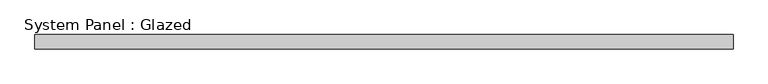
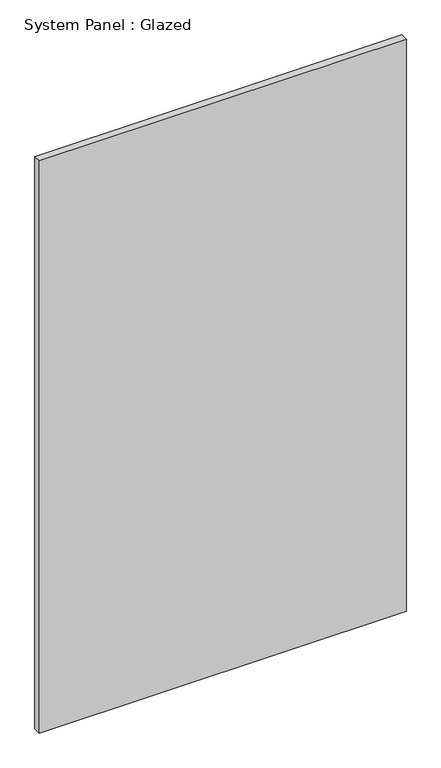
"""IFC4 building model written with IfcOpenShell, lengths in millimetres: plate geometry, System Panel : Glazed."""

from ifc_helpers import new_model, si_unit, origin, origin_with_axes, place, context, project, spatial, polyline, outline, extrude, source, transform, mapped, element, save


def system_panel_glazed_884678db(model_context):
    return source(origin(), model_context, "Body", "SweptSolid", [
        extrude(outline(polyline([(607.0143611, 24.5), (-607.0143611, 24.5), (-607.0143611, 49.5), (607.0143611, 49.5), (607.0143611, 24.5)])), origin_with_axes(), (0.0, 0.0, 1.0), 2000.0),
    ])


if __name__ == "__main__":
    model = new_model("IFC4")
    model_context = context("Model", 3, world=origin())
    ifc_project = project(units=[si_unit("LENGTHUNIT", "METRE", prefix="MILLI")], contexts=[model_context])
    site = spatial("IfcSite", under=ifc_project)
    building = spatial("IfcBuilding", under=site)
    placement = place(None, origin())
    system_panel_glazed_shape = system_panel_glazed_884678db(model_context)
    element("IfcPlate", 1, ObjectType="System Panel : Glazed", at=placement, inside=building, context=model_context, shape_type="MappedRepresentation", body=[
        mapped(system_panel_glazed_shape, transform((0.0, 0.0, 0.0), x_axis=(1.0, 0.0, 0.0), y_axis=(0.0, 1.0, 0.0), z_axis=(0.0, 0.0, 1.0))),
    ])
    save(model, "model.ifc")
